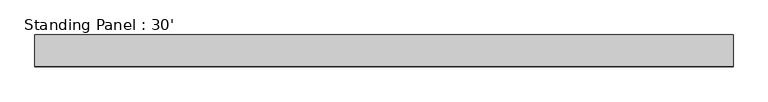
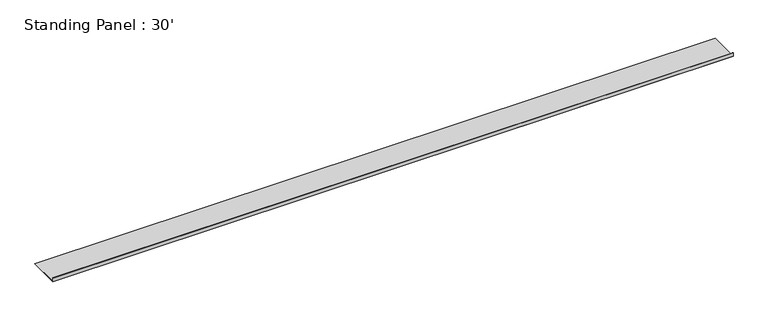
"""IFC4 building model written with IfcOpenShell, lengths in millimetres: proxy geometry, Standing Panel : 30'."""

from ifc_helpers import new_model, si_unit, frame, origin, place, context, project, spatial, polyline, outline, extrude, source, transform, mapped, element, save


def standing_panel_30_0adfbe4f(model_context):
    return source(origin(), model_context, "Body", "SweptSolid", [
        extrude(outline(polyline([(-209.55, -25.5472227), (-209.55, 25.5472227), (-207.9625, 25.5472227), (-207.9625, -23.9597227), (209.55, -23.9597227), (209.55, -25.5472227), (-209.55, -25.5472227)])), frame((-26487.4344089, 0.0, 0.0), z_axis=(1.0, 0.0, 0.0), x_axis=(0.0, 1.0, 0.0)), (0.0, 0.0, 1.0), 9144.0),
    ])


if __name__ == "__main__":
    model = new_model("IFC4")
    model_context = context("Model", 3, world=origin())
    ifc_project = project(units=[si_unit("LENGTHUNIT", "METRE", prefix="MILLI")], contexts=[model_context])
    site = spatial("IfcSite", under=ifc_project)
    building = spatial("IfcBuilding", under=site)
    placement = place(None, origin())
    standing_panel_30_shape = standing_panel_30_0adfbe4f(model_context)
    element("IfcBuildingElementProxy", 1, Name="Standing Panel : 30'", ObjectType="Standing Panel : 30'", at=placement, inside=building, context=model_context, shape_type="MappedRepresentation", body=[
        mapped(standing_panel_30_shape, transform((0.0, 0.0, 0.0), x_axis=(1.0, 0.0, 0.0), y_axis=(0.0, 1.0, 0.0), z_axis=(0.0, 0.0, 1.0))),
    ])
    save(model, "model.ifc")
